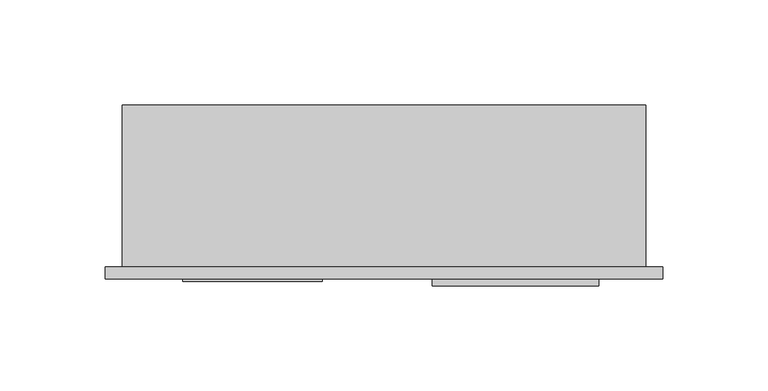
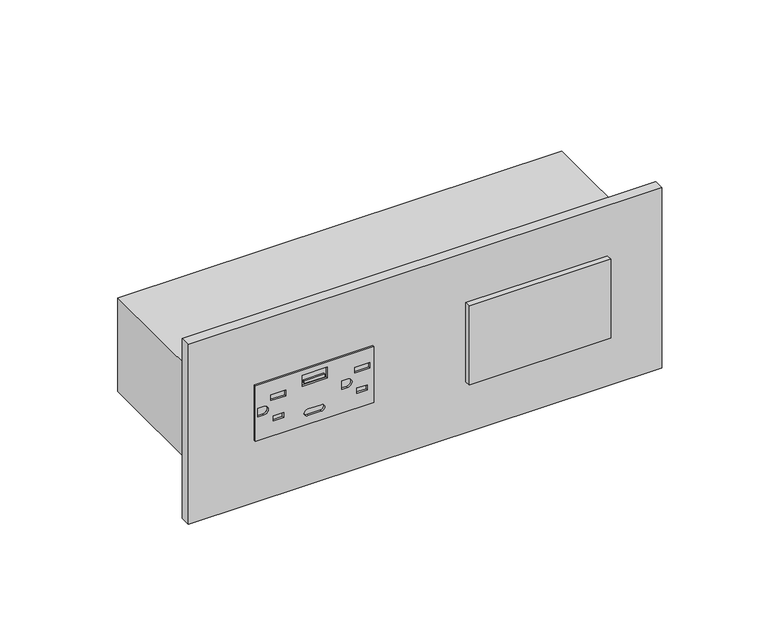
"""IFC4 building model written with IfcOpenShell, lengths in millimetres: proxy geometry."""

from ifc_helpers import new_model, si_unit, point, frame, frame_2d, origin, place, context, project, spatial, polyline, circle_curve, trimmed, segment, composite_curve, outline, extrude, source, transform, mapped, element, save


def electrical_fixtures_9293c94c(model_context):
    return source(origin(), model_context, "Body", "SweptSolid", [
        extrude(outline(polyline([(821.6131229, 95.1883983), (854.6077229, 95.1883983), (854.6077229, 28.6403983), (821.6131229, 28.6403983), (821.6131229, 95.1883983)]), holes=[polyline([(842.7521499, 92.7422735), (842.7521499, 84.4265232), (846.0795499, 84.4265232), (846.0795499, 92.7422735), (842.7521499, 92.7422735)]), polyline([(830.2973829, 91.4959746), (830.2973829, 85.6728221), (833.2717229, 85.6728221), (833.2717229, 91.4959746), (830.2973829, 91.4959746)]), composite_curve([segment(polyline([(835.6466229, 77.1543983), (840.5742229, 77.1543983), (840.5742229, 80.4516358)]), True, "CONTINUOUS"), segment(trimmed(circle_curve(frame_2d((838.1104229, 80.4516358)), 2.4638), [point((840.5742229, 80.4516358))], [point((835.6466229, 80.4516358))], True, "CARTESIAN"), True, "CONTINUOUS"), segment(polyline([(835.6466229, 80.4516358), (835.6466229, 77.1543983)]), True, "CONTINUOUS")], self_intersect=False), polyline([(842.7521499, 45.7522735), (842.7521499, 37.4365232), (846.0827049, 37.4365232), (846.0827049, 45.7522735), (842.7521499, 45.7522735)]), polyline([(830.3161837, 44.5059746), (830.3161837, 38.6828221), (833.2906533, 38.6828221), (833.2906533, 44.5059746), (830.3161837, 44.5059746)]), composite_curve([segment(polyline([(835.6466229, 30.1643983), (840.5742229, 30.1643983), (840.5742229, 33.5112452)]), True, "CONTINUOUS"), segment(trimmed(circle_curve(frame_2d((838.1104229, 33.5112452)), 2.4638), [point((840.5742229, 33.5112452))], [point((835.6466229, 33.5112452))], True, "CARTESIAN"), True, "CONTINUOUS"), segment(polyline([(835.6466229, 33.5112452), (835.6466229, 30.1643983)]), True, "CONTINUOUS")], self_intersect=False), polyline([(845.1828612, 68.9581973), (845.1828612, 54.8644614), (851.6839163, 54.8644614), (851.6839163, 68.9581973), (845.1828612, 68.9581973)]), composite_curve([segment(trimmed(circle_curve(frame_2d((828.5727229, 58.1297983)), 1.905), [point((826.6677229, 58.1297983))], [point((830.4777229, 58.1297983))], True, "CARTESIAN"), True, "CONTINUOUS"), segment(polyline([(830.4777229, 58.1297983), (830.4777229, 65.6989983)]), True, "CONTINUOUS"), segment(trimmed(circle_curve(frame_2d((828.5727229, 65.6989983)), 1.905), [point((830.4777229, 65.6989983))], [point((826.6677229, 65.6989983))], True, "CARTESIAN"), True, "CONTINUOUS"), segment(polyline([(826.6677229, 65.6989983), (826.6677229, 58.1297983)]), True, "CONTINUOUS")], self_intersect=False)]), frame((0.0, -6.9294746, 0.0), z_axis=(0.0, 1.0, 0.0), x_axis=(0.0, 0.0, 1.0)), (0.0, 0.0, 1.0), 1.0366746),
        extrude(outline(polyline([(67.6331469, -6.9294746), (56.1895117, -6.9294746), (56.1895117, -5.8928), (67.6331469, -5.8928), (67.6331469, -6.9294746)])), frame((0.0, 0.0, 846.3926879), z_axis=(0.0, 0.0, 1.0), x_axis=(1.0, 0.0, 0.0)), (0.0, 0.0, 1.0), 1.5209293),
        extrude(outline(polyline([(147.3082675, -5.8928), (226.6832675, -5.8928), (226.6832675, -9.0678), (147.3082675, -9.0678), (147.3082675, -5.8928)])), frame((0.0, 0.0, 814.8854229), z_axis=(0.0, 0.0, 1.0), x_axis=(1.0, 0.0, 0.0)), (0.0, 0.0, 1.0), 46.863),
        extrude(outline(polyline([(-8.2450977, 0.0), (257.1652913, 0.0), (257.1652913, -5.8928), (-8.2450977, -5.8928), (-8.2450977, 0.0)])), frame((0.0, 0.0, 784.6718508), z_axis=(0.0, 0.0, 1.0), x_axis=(1.0, 0.0, 0.0)), (0.0, 0.0, 1.0), 106.8771443),
        extrude(outline(polyline([(248.92, 0.0), (0.0, 0.0), (0.0, 77.054), (248.92, 77.054), (248.92, 0.0)])), frame((0.0, 0.0, 810.3355229), z_axis=(0.0, 0.0, 1.0), x_axis=(1.0, 0.0, 0.0)), (0.0, 0.0, 1.0), 55.5498),
    ])


if __name__ == "__main__":
    model = new_model("IFC4")
    model_context = context("Model", 3, world=origin())
    ifc_project = project(units=[si_unit("LENGTHUNIT", "METRE", prefix="MILLI")], contexts=[model_context])
    site = spatial("IfcSite", under=ifc_project)
    building = spatial("IfcBuilding", under=site)
    placement = place(None, origin())
    electrical_fixtures_shape = electrical_fixtures_9293c94c(model_context)
    element("IfcBuildingElementProxy", 1, Name="Electrical Fixtures", at=placement, inside=building, context=model_context, shape_type="MappedRepresentation", body=[
        mapped(electrical_fixtures_shape, transform((0.0, 0.0, 0.0), x_axis=(1.0, 0.0, 0.0), y_axis=(0.0, 1.0, 0.0), z_axis=(0.0, 0.0, 1.0))),
    ])
    save(model, "model.ifc")
